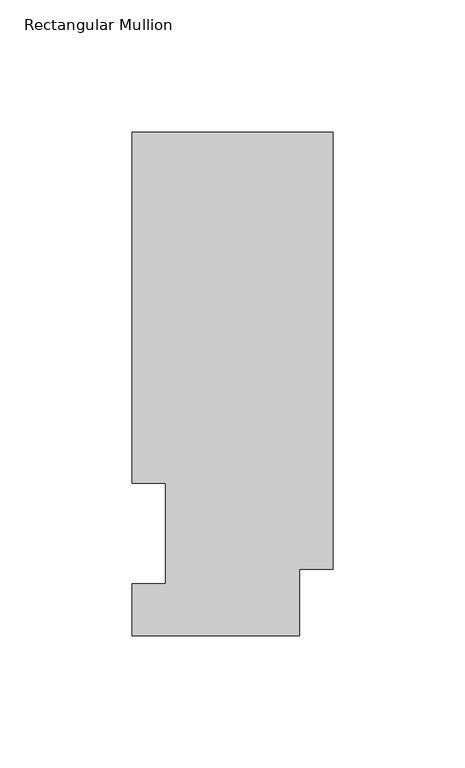
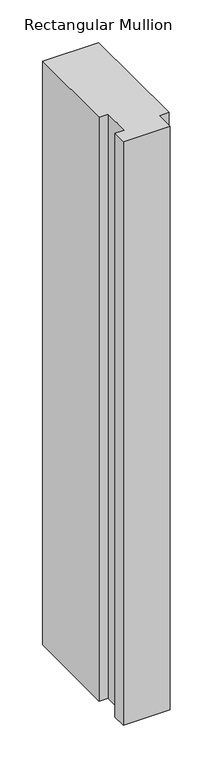
"""IFC4 building model written with IfcOpenShell, lengths in millimetres: member geometry, Rectangular Mullion."""

from ifc_helpers import new_model, si_unit, frame, origin, place, context, project, spatial, polyline, outline, extrude, source, transform, mapped, element, save


def rectangular_mullion_08ad5256(model_context):
    return source(origin(), model_context, "Body", "SweptSolid", [
        extrude(outline(polyline([(-76.2, 190.5896937), (0.0, 190.5896937), (0.0, 25.0832937), (-12.7, 25.0832937), (-12.7, 0.0134937), (-76.2, 0.0134937), (-76.2, 19.5460937), (-63.5, 19.5460937), (-63.5, 57.6460937), (-76.2, 57.6460937), (-76.2, 190.5896937)])), frame((0.0, 0.0, -838.2), z_axis=(0.0, 0.0, 1.0), x_axis=(1.0, 0.0, 0.0)), (0.0, 0.0, 1.0), 838.2),
    ])


if __name__ == "__main__":
    model = new_model("IFC4")
    model_context = context("Model", 3, world=origin())
    ifc_project = project(units=[si_unit("LENGTHUNIT", "METRE", prefix="MILLI")], contexts=[model_context])
    site = spatial("IfcSite", under=ifc_project)
    building = spatial("IfcBuilding", under=site)
    placement = place(None, origin())
    rectangular_mullion_shape = rectangular_mullion_08ad5256(model_context)
    element("IfcMember", 1, ObjectType="Rectangular Mullion", at=placement, inside=building, context=model_context, shape_type="MappedRepresentation", body=[
        mapped(rectangular_mullion_shape, transform((0.0, 0.0, 0.0), x_axis=(1.0, 0.0, 0.0), y_axis=(0.0, 1.0, 0.0), z_axis=(0.0, 0.0, 1.0))),
    ])
    save(model, "model.ifc")
